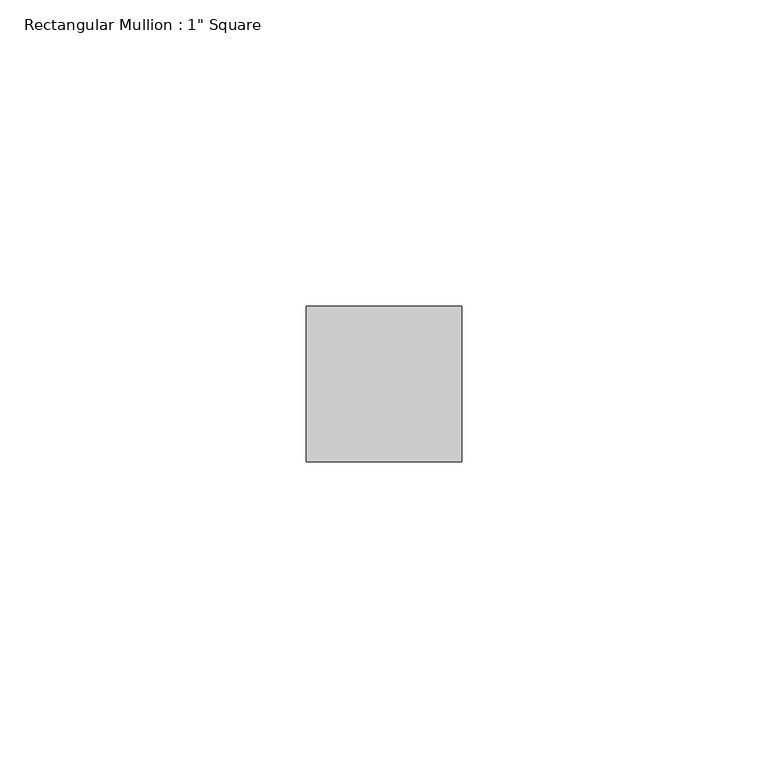
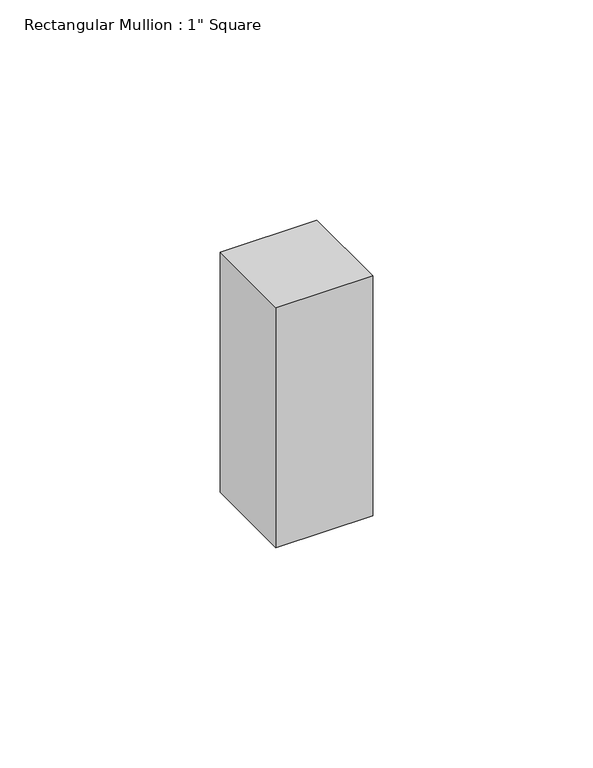
"""IFC4 building model written with IfcOpenShell, lengths in millimetres: member geometry."""

import ifcopenshell
import ifcopenshell.guid

model = None  # the IFC model being written
_history = None  # IfcOwnerHistory: only IFC2X3 demands one
_inside = {}  # id of a spatial element -> (the spatial element, [elements in it])
_under = {}  # id of a project, library or spatial element -> (it, [spatial elements below it])
_declared = {}  # id of a project -> (the project, [libraries it declares])
_typed = {}  # id of a type object -> (the type object, [elements of that type])
_made_of = {}  # id of a material, layer set ... -> (it, [elements and type objects made of it])


def new_model(schema):
    """Start an empty IFC model of exactly this schema.

    Asked for "IFC4X3", IfcOpenShell would pick the latest addendum, in which some entities
    have other attributes; the version numbers below select the first issue.
    IFC2X3 requires an IfcOwnerHistory on every rooted entity: one is made here for all.
    """
    global model, _history
    if schema == "IFC4X3":
        model = ifcopenshell.file(schema_version=(4, 3, 0, 0))
    else:
        model = ifcopenshell.file(schema=schema)
    _inside.clear()
    _under.clear()
    _declared.clear()
    _typed.clear()
    _made_of.clear()
    _history = None
    if model.schema == "IFC2X3":
        org = make("IfcOrganization", Name="unknown")
        user = make(
            "IfcPersonAndOrganization",
            ThePerson=make("IfcPerson", FamilyName="unknown"),
            TheOrganization=org,
        )
        app = make(
            "IfcApplication",
            ApplicationDeveloper=org,
            Version="unknown",
            ApplicationFullName="unknown",
            ApplicationIdentifier="unknown",
        )
        _history = make(
            "IfcOwnerHistory",
            OwningUser=user,
            OwningApplication=app,
            ChangeAction="ADDED",
            CreationDate=0,
        )
    return model


def make(cls, **values):
    """One entity of the class cls with the attributes given. An attribute that is None is left unset."""
    return model.create_entity(
        cls, **{name: value for name, value in values.items() if value is not None}
    )


def rooted(cls, **values):
    """An entity with a GlobalId (a new one), such as an element, a storey or a relation."""
    return make(cls, GlobalId=ifcopenshell.guid.new(), OwnerHistory=_history, **values)


def si_unit(unit_type, name, prefix=None):
    """IfcSIUnit, for example si_unit("LENGTHUNIT", "METRE", prefix="MILLI")."""
    return make("IfcSIUnit", UnitType=unit_type, Prefix=prefix, Name=name)


def assignment(units):
    """IfcUnitAssignment: the units of a project."""
    return None if units is None else make("IfcUnitAssignment", Units=units)


def point(xyz):
    """IfcCartesianPoint."""
    return None if xyz is None else make("IfcCartesianPoint", Coordinates=xyz)


def direction(xyz):
    """IfcDirection."""
    return None if xyz is None else make("IfcDirection", DirectionRatios=xyz)


def frame(location, z_axis=None, x_axis=None):
    """IfcAxis2Placement3D, a coordinate frame: its origin and axes. An axis left out is left unset."""
    return make(
        "IfcAxis2Placement3D",
        Location=point(location),
        Axis=direction(z_axis),
        RefDirection=direction(x_axis),
    )


def origin():
    """The frame at (0, 0, 0) with its axes left unset."""
    return frame((0.0, 0.0, 0.0))


def place(relative_to, where):
    """IfcLocalPlacement: puts the frame where relative to a parent placement (None: the world)."""
    return make(
        "IfcLocalPlacement", PlacementRelTo=relative_to, RelativePlacement=where
    )


def context(
    kind, dimensions, precision=None, world=None, true_north=None, identifier=None
):
    """IfcGeometricRepresentationContext, for example the 3D "Model" context."""
    return make(
        "IfcGeometricRepresentationContext",
        ContextIdentifier=identifier,
        ContextType=kind,
        CoordinateSpaceDimension=dimensions,
        Precision=precision,
        WorldCoordinateSystem=world,
        TrueNorth=true_north,
    )


def project(units=None, contexts=None):
    """IfcProject with its units and contexts."""
    return rooted(
        "IfcProject",
        Name="project",
        RepresentationContexts=contexts,
        UnitsInContext=assignment(units),
    )


def spatial(cls, under=None, at=None, **own):
    """A site, building, storey or space (cls), placed at a placement, below another one or the project."""
    s = rooted(cls, ObjectPlacement=at, **own)
    if under is not None:
        _under.setdefault(under.id(), (under, []))[1].append(s)
    return s


def polyline(points):
    """IfcPolyline through the points."""
    return make("IfcPolyline", Points=[point(p) for p in points])


def outline(outer, holes=None, kind="AREA"):
    """IfcArbitraryClosedProfileDef: a profile drawn as a closed curve; with holes, ...WithVoids."""
    if holes is None:
        return make("IfcArbitraryClosedProfileDef", ProfileType=kind, OuterCurve=outer)
    return make(
        "IfcArbitraryProfileDefWithVoids",
        ProfileType=kind,
        OuterCurve=outer,
        InnerCurves=holes,
    )


def extrude(swept, where, along, depth):
    """IfcExtrudedAreaSolid: the profile swept, set in the frame where, extruded along a direction by depth."""
    return make(
        "IfcExtrudedAreaSolid",
        SweptArea=swept,
        Position=where,
        ExtrudedDirection=direction(along),
        Depth=depth,
    )


def shape(context_of_items, identifier, shape_type, items):
    """IfcShapeRepresentation: the items that make up one representation, for example the "Body"."""
    return make(
        "IfcShapeRepresentation",
        ContextOfItems=context_of_items,
        RepresentationIdentifier=identifier,
        RepresentationType=shape_type,
        Items=items,
    )


def source(mapping_origin, context_of_items, identifier, shape_type, items):
    """IfcRepresentationMap: a shape defined once, which mapped items show again and again."""
    return make(
        "IfcRepresentationMap",
        MappingOrigin=mapping_origin,
        MappedRepresentation=shape(context_of_items, identifier, shape_type, items),
    )


def transform(
    local_origin,
    x_axis=None,
    y_axis=None,
    z_axis=None,
    scale=None,
    scale2=None,
    scale3=None,
    uniform=True,
):
    """IfcCartesianTransformationOperator3D, or its non-uniform kind. x_axis, y_axis, z_axis: its Axis1, 2, 3."""
    if uniform:
        return make(
            "IfcCartesianTransformationOperator3D",
            Axis1=direction(x_axis),
            Axis2=direction(y_axis),
            LocalOrigin=point(local_origin),
            Scale=scale,
            Axis3=direction(z_axis),
        )
    return make(
        "IfcCartesianTransformationOperator3DnonUniform",
        Axis1=direction(x_axis),
        Axis2=direction(y_axis),
        LocalOrigin=point(local_origin),
        Scale=scale,
        Axis3=direction(z_axis),
        Scale2=scale2,
        Scale3=scale3,
    )


def mapped(mapping_source, mapping_target):
    """IfcMappedItem: shows the shape of a source again, moved by a transform."""
    return make(
        "IfcMappedItem", MappingSource=mapping_source, MappingTarget=mapping_target
    )


def made_of(thing, what):
    """Note that an element or type object is made of a material, layer set ...; save() writes the relation."""
    if what is not None:
        _made_of.setdefault(what.id(), (what, []))[1].append(thing)
    return thing


def element(
    cls,
    number,
    at=None,
    inside=None,
    cuts=None,
    type_object=None,
    material=None,
    context=None,
    identifier="Body",
    shape_type=None,
    held_by="IfcProductDefinitionShape",
    body=None,
    shapes=None,
    **own,
):
    """One element of the class cls, such as IfcWall. Its Tag is "e" and its number.

    at: its placement. inside: the storey or other place that contains it. cuts: it is an
    opening in that element (IfcRelVoidsElement). A single representation is given by context,
    identifier, shape_type and body (its items); several are given by shapes. held_by: the class
    of the entity that holds the representations. save() writes the other relations.
    """
    e = rooted(cls, Tag="e%d" % number, ObjectPlacement=at, **own)
    if body is not None:
        shapes = [shape(context, identifier, shape_type, body)]
    if shapes is not None:
        e.Representation = make(held_by, Representations=shapes)
    if inside is not None:
        _inside.setdefault(inside.id(), (inside, []))[1].append(e)
    if cuts is not None:
        rooted(
            "IfcRelVoidsElement", RelatingBuildingElement=cuts, RelatedOpeningElement=e
        )
    if type_object is not None:
        _typed.setdefault(type_object.id(), (type_object, []))[1].append(e)
    return made_of(e, material)


def aggregate(whole, parts):
    """IfcRelAggregates: a whole, such as a stair, and the parts it consists of."""
    return rooted("IfcRelAggregates", RelatingObject=whole, RelatedObjects=parts)


def save(model, path):
    """Write the relations noted so far, then the file.

    IfcRelAggregates (storeys below a building ...), IfcRelContainedInSpatialStructure (elements
    in a storey), IfcRelDefinesByType, IfcRelAssociatesMaterial and IfcRelDeclares: one each for
    every whole, place, type object, material and project.
    """
    for whole, parts in _under.values():
        aggregate(whole, parts)
    for where, things in _inside.values():
        rooted(
            "IfcRelContainedInSpatialStructure",
            RelatedElements=things,
            RelatingStructure=where,
        )
    for kind, things in _typed.values():
        rooted("IfcRelDefinesByType", RelatedObjects=things, RelatingType=kind)
    for what, things in _made_of.values():
        rooted("IfcRelAssociatesMaterial", RelatedObjects=things, RelatingMaterial=what)
    for by, libraries in _declared.values():
        rooted("IfcRelDeclares", RelatingContext=by, RelatedDefinitions=libraries)
    model.write(path)


def member_be6bf66a(model_context):
    return source(origin(), model_context, "Body", "SweptSolid", [
        extrude(outline(polyline([(0.0, 12.7), (0.0, -12.7), (-25.4, -12.7), (-25.4, 12.7), (0.0, 12.7)])), frame((0.0, 0.0, -66.675), z_axis=(0.0, 0.0, 1.0), x_axis=(1.0, 0.0, 0.0)), (0.0, 0.0, 1.0), 66.675),
    ])


if __name__ == "__main__":
    model = new_model("IFC4")
    model_context = context("Model", 3, world=origin())
    ifc_project = project(units=[si_unit("LENGTHUNIT", "METRE", prefix="MILLI")], contexts=[model_context])
    site = spatial("IfcSite", under=ifc_project)
    building = spatial("IfcBuilding", under=site)
    placement = place(None, origin())
    member_shape = member_be6bf66a(model_context)
    element("IfcMember", 1, ObjectType="Rectangular Mullion : 1\" Square", at=placement, inside=building, context=model_context, shape_type="MappedRepresentation", body=[
        mapped(member_shape, transform((0.0, 0.0, 0.0), x_axis=(1.0, 0.0, 0.0), y_axis=(0.0, 1.0, 0.0), z_axis=(0.0, 0.0, 1.0))),
    ])
    save(model, "model.ifc")
